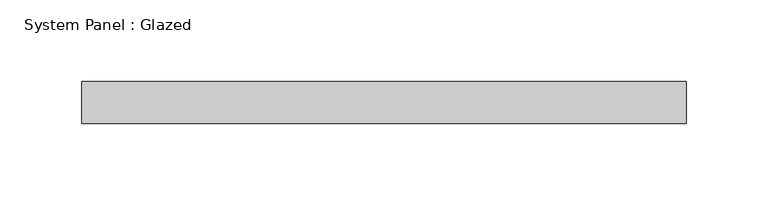
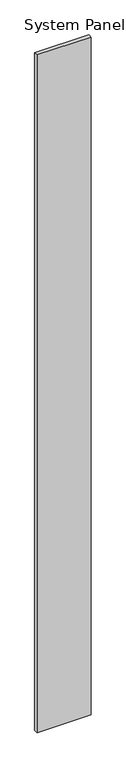
"""IFC4 building model written with IfcOpenShell, lengths in millimetres: plate geometry, System Panel : Glazed."""

from ifc_helpers import new_model, si_unit, origin, origin_with_axes, place, context, project, spatial, polyline, outline, extrude, source, transform, mapped, element, save


def system_panel_glazed_7674321c(model_context):
    return source(origin(), model_context, "Body", "SweptSolid", [
        extrude(outline(polyline([(184.1499998, 19.05), (-184.1499998, 19.05), (-184.1499998, 44.45), (184.1499998, 44.45), (184.1499998, 19.05)])), origin_with_axes(), (0.0, 0.0, 1.0), 4876.8),
    ])


if __name__ == "__main__":
    model = new_model("IFC4")
    model_context = context("Model", 3, world=origin())
    ifc_project = project(units=[si_unit("LENGTHUNIT", "METRE", prefix="MILLI")], contexts=[model_context])
    site = spatial("IfcSite", under=ifc_project)
    building = spatial("IfcBuilding", under=site)
    placement = place(None, origin())
    system_panel_glazed_shape = system_panel_glazed_7674321c(model_context)
    element("IfcPlate", 1, ObjectType="System Panel : Glazed", at=placement, inside=building, context=model_context, shape_type="MappedRepresentation", body=[
        mapped(system_panel_glazed_shape, transform((0.0, 0.0, 0.0), x_axis=(1.0, 0.0, 0.0), y_axis=(0.0, 1.0, 0.0), z_axis=(0.0, 0.0, 1.0))),
    ])
    save(model, "model.ifc")
